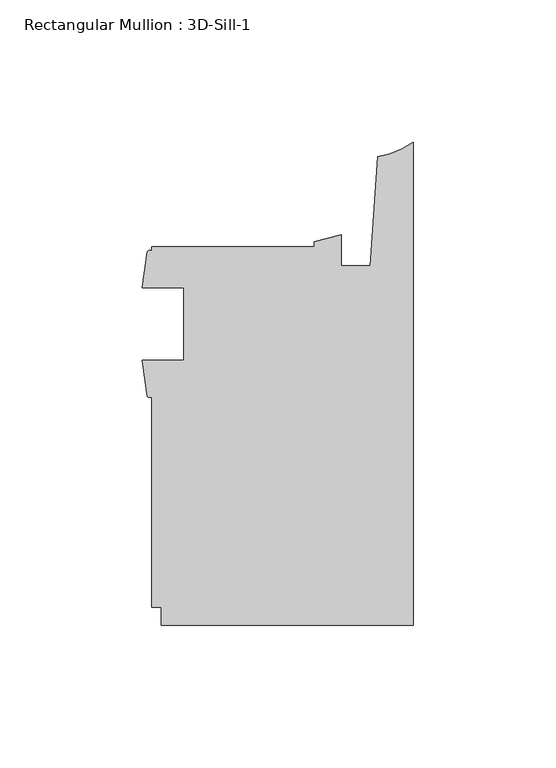
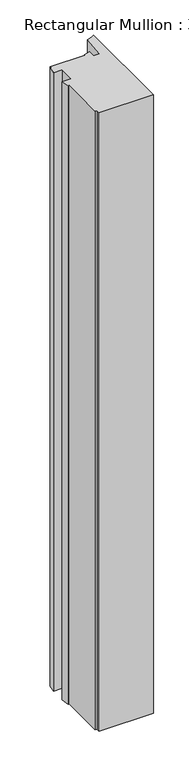
"""IFC4 building model written with IfcOpenShell, lengths in millimetres: member geometry, Rectangular Mullion : 3D-Sill-1."""

from ifc_helpers import new_model, si_unit, point, frame, frame_2d, origin, place, context, project, spatial, polyline, circle_curve, trimmed, segment, composite_curve, outline, extrude, source, transform, mapped, element, save


def rectangular_mullion_3d_sill_1_241c88b6(model_context):
    return source(origin(), model_context, "Body", "SweptSolid", [
        extrude(outline(composite_curve([segment(trimmed(circle_curve(frame_2d((-92.9068292, 1.9651676)), 1.065983), [point((-92.075127, 1.2983909))], [point((-93.7385314, 1.2983909))], False, "CARTESIAN"), True, "CONTINUOUS"), segment(polyline([(-93.7385314, 1.2983909), (-95.5946487, 14.0714437), (-80.962627, 14.0714437), (-80.962627, 39.4714437), (-95.471127, 39.4714437), (-93.6610233, 52.2427313)]), True, "CONTINUOUS"), segment(trimmed(circle_curve(frame_2d((-92.8705885, 51.8025367)), 0.9047422), [point((-93.6610233, 52.2427313))], [point((-92.075127, 52.2335812))], False, "CARTESIAN"), True, "CONTINUOUS"), segment(polyline([(-92.075127, 52.2335812), (-92.075127, 53.9749687), (-34.925, 53.9749687), (-34.925, 55.706233), (-25.4, 58.1484157), (-25.4, 47.3577987), (-15.24, 47.3577987), (-12.5900978, 85.6123565)]), True, "CONTINUOUS"), segment(trimmed(circle_curve(frame_2d((-16.4585191, 112.6416656)), 27.3047292), [point((-12.5900978, 85.6123565))], [point((0.0, 90.8548488))], True, "CARTESIAN"), True, "CONTINUOUS"), segment(polyline([(0.0, 90.8548488), (0.0, -79.3749687), (-88.899973, -79.3749687), (-88.899973, -73.0250313), (-92.075127, -73.0250313), (-92.075127, 1.2983909)]), True, "CONTINUOUS")], self_intersect=False)), frame((0.0, 0.0, -1069.2872778), z_axis=(0.0, 0.0, 1.0), x_axis=(1.0, 0.0, 0.0)), (0.0, 0.0, 1.0), 1069.2872778),
    ])


if __name__ == "__main__":
    model = new_model("IFC4")
    model_context = context("Model", 3, world=origin())
    ifc_project = project(units=[si_unit("LENGTHUNIT", "METRE", prefix="MILLI")], contexts=[model_context])
    site = spatial("IfcSite", under=ifc_project)
    building = spatial("IfcBuilding", under=site)
    placement = place(None, origin())
    rectangular_mullion_3d_sill_1_shape = rectangular_mullion_3d_sill_1_241c88b6(model_context)
    element("IfcMember", 1, ObjectType="Rectangular Mullion : 3D-Sill-1", at=placement, inside=building, context=model_context, shape_type="MappedRepresentation", body=[
        mapped(rectangular_mullion_3d_sill_1_shape, transform((0.0, 0.0, 0.0), x_axis=(1.0, 0.0, 0.0), y_axis=(0.0, 1.0, 0.0), z_axis=(0.0, 0.0, 1.0))),
    ])
    save(model, "model.ifc")
